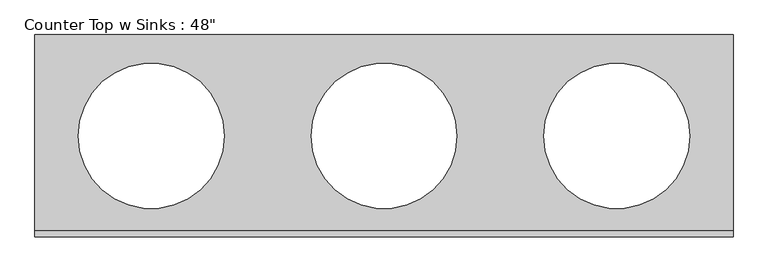
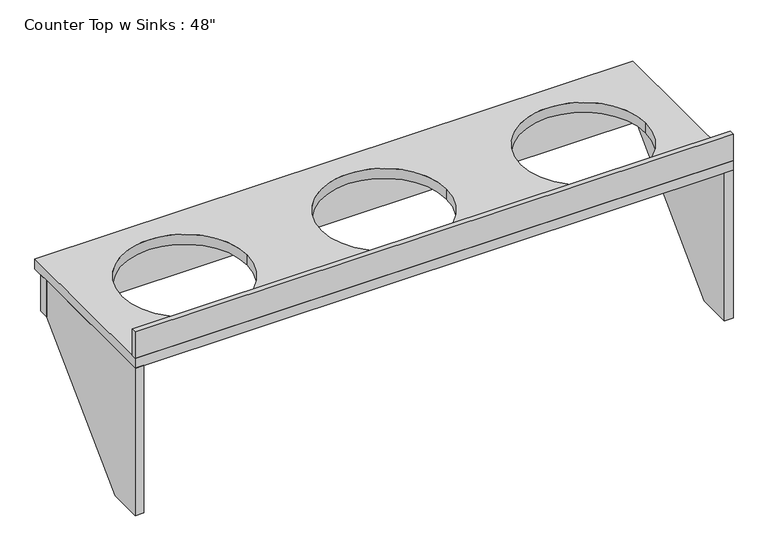
"""IFC4 building model written with IfcOpenShell, lengths in millimetres: furniture geometry."""

from ifc_helpers import new_model, si_unit, point, frame, frame_2d, origin, place, context, project, spatial, polyline, circle_curve, trimmed, segment, composite_curve, outline, extrude, source, transform, mapped, element, save


def furniture_fbb50961(model_context):
    return source(origin(), model_context, "Body", "SweptSolid", [
        extrude(outline(polyline([(63.5, 825.5), (622.3, 825.5), (622.3, 685.8), (190.5, 254.0), (63.5, 254.0), (63.5, 825.5)])), frame((-1116.1103038, 0.0, 0.0), z_axis=(1.0, 0.0, 0.0), x_axis=(0.0, 1.0, 0.0)), (0.0, 0.0, 1.0), 31.75),
        extrude(outline(polyline([(63.5, 825.5), (622.3, 825.5), (622.3, 685.8), (190.5, 254.0), (63.5, 254.0), (63.5, 825.5)])), frame((1041.53372, 0.0, 0.0), z_axis=(1.0, 0.0, 0.0), x_axis=(0.0, 1.0, 0.0)), (0.0, 0.0, 1.0), 31.75),
        extrude(outline(polyline([(-1116.1103038, 622.3), (-1116.1103038, 660.4), (1073.28372, 660.4), (1073.28372, 622.3), (-1116.1103038, 622.3)])), frame((0.0, 0.0, 685.8), z_axis=(0.0, 0.0, 1.0), x_axis=(1.0, 0.0, 0.0)), (0.0, 0.0, 1.0), 139.7),
        extrude(outline(polyline([(1073.28372, 63.5), (-1116.1103038, 63.5), (-1116.1103038, 82.55), (1073.28372, 82.55), (1073.28372, 63.5)])), frame((0.0, 0.0, 863.6), z_axis=(0.0, 0.0, 1.0), x_axis=(1.0, 0.0, 0.0)), (0.0, 0.0, 1.0), 101.6),
        extrude(outline(polyline([(1073.28372, 63.5), (-1116.1103038, 63.5), (-1116.1103038, 698.5), (1073.28372, 698.5), (1073.28372, 63.5)]), holes=[composite_curve([segment(trimmed(circle_curve(frame_2d((-751.2112998, 381.0)), 228.6), [point((-979.8112998, 381.0))], [point((-522.6112998, 381.0))], True, "CARTESIAN"), True, "CONTINUOUS"), segment(trimmed(circle_curve(frame_2d((-751.2112998, 381.0)), 228.6), [point((-522.6112998, 381.0))], [point((-979.8112998, 381.0))], True, "CARTESIAN"), True, "CONTINUOUS")], self_intersect=False), composite_curve([segment(trimmed(circle_curve(frame_2d((708.384716, 381.0)), 228.6), [point((479.784716, 381.0))], [point((936.984716, 381.0))], True, "CARTESIAN"), True, "CONTINUOUS"), segment(trimmed(circle_curve(frame_2d((708.384716, 381.0)), 228.6), [point((936.984716, 381.0))], [point((479.784716, 381.0))], True, "CARTESIAN"), True, "CONTINUOUS")], self_intersect=False), composite_curve([segment(trimmed(circle_curve(frame_2d((-21.4132919, 381.0)), 228.6), [point((-250.0132919, 381.0))], [point((207.1867081, 381.0))], True, "CARTESIAN"), True, "CONTINUOUS"), segment(trimmed(circle_curve(frame_2d((-21.4132919, 381.0)), 228.6), [point((207.1867081, 381.0))], [point((-250.0132919, 381.0))], True, "CARTESIAN"), True, "CONTINUOUS")], self_intersect=False)]), frame((0.0, 0.0, 825.5), z_axis=(0.0, 0.0, 1.0), x_axis=(1.0, 0.0, 0.0)), (0.0, 0.0, 1.0), 38.1),
    ])


if __name__ == "__main__":
    model = new_model("IFC4")
    model_context = context("Model", 3, world=origin())
    ifc_project = project(units=[si_unit("LENGTHUNIT", "METRE", prefix="MILLI")], contexts=[model_context])
    site = spatial("IfcSite", under=ifc_project)
    building = spatial("IfcBuilding", under=site)
    placement = place(None, origin())
    furniture_shape = furniture_fbb50961(model_context)
    element("IfcFurniture", 1, ObjectType="Counter Top w Sinks : 48\"", at=placement, inside=building, context=model_context, shape_type="MappedRepresentation", body=[
        mapped(furniture_shape, transform((0.0, 0.0, 0.0), x_axis=(1.0, 0.0, 0.0), y_axis=(0.0, 1.0, 0.0), z_axis=(0.0, 0.0, 1.0))),
    ])
    save(model, "model.ifc")
